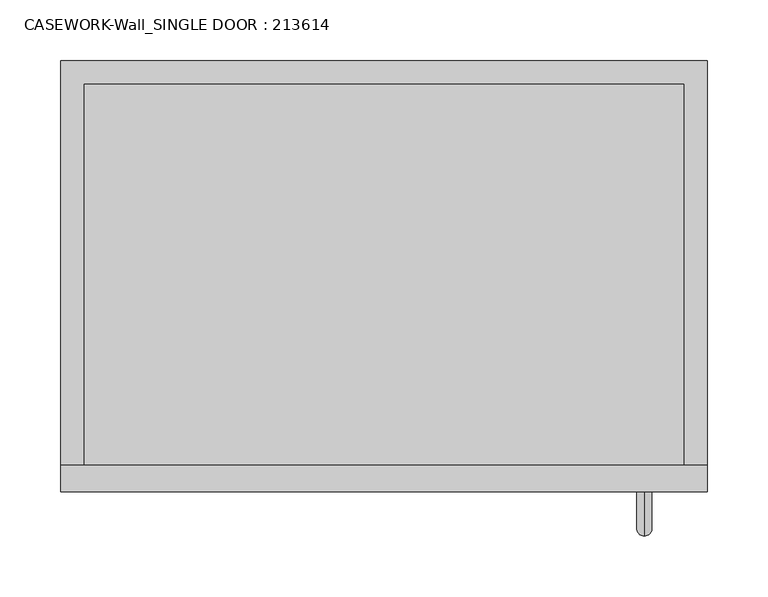
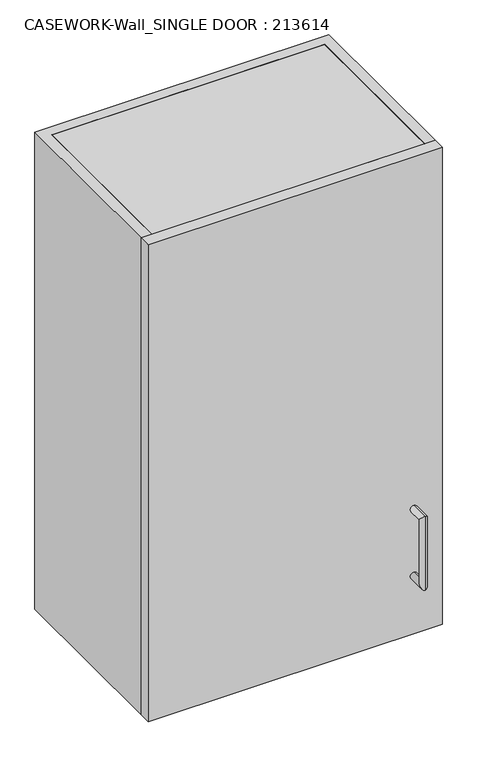
"""IFC4 building model written with IfcOpenShell, lengths in millimetres: furniture geometry, CASEWORK-Wall_SINGLE DOOR : 213614."""

from ifc_helpers import new_model, si_unit, frame, origin, place, context, project, spatial, polyline, circle_curve, ellipse_curve, outline, extrude, source, transform, mapped, element, save
from ifc_brep_helpers import plane_surface, cylinder_surface, advanced_brep


def casework_wall_single_door_213614_257c429b(model_context):
    return source(origin(), model_context, "Body", "SolidModel", [
        extrude(outline(polyline([(266.7, -409.8), (266.7, -431.8), (-266.7, -431.8), (-266.7, -409.8), (266.7, -409.8)])), frame((0.0, 0.0, 1219.2), z_axis=(0.0, 0.0, 1.0), x_axis=(1.0, 0.0, 0.0)), (0.0, 0.0, 1.0), 914.4),
        extrude(outline(polyline([(247.5, -409.8), (247.5, -95.4), (-247.5, -95.4), (-247.5, -409.8), (-266.7, -409.8), (-266.7, -76.2), (266.7, -76.2), (266.7, -409.8), (247.5, -409.8)])), frame((0.0, 0.0, 1219.2), z_axis=(0.0, 0.0, 1.0), x_axis=(1.0, 0.0, 0.0)), (0.0, 0.0, 1.0), 914.4),
        extrude(outline(polyline([(-247.5, -409.8), (-247.5, -95.4), (247.5, -95.4), (247.5, -409.8), (-247.5, -409.8)])), frame((0.0, 0.0, 1816.0), z_axis=(0.0, 0.0, 1.0), x_axis=(1.0, 0.0, 0.0)), (0.0, 0.0, 1.0), 19.2),
        extrude(outline(polyline([(-247.5, -409.8), (-247.5, -95.4), (247.5, -95.4), (247.5, -409.8), (-247.5, -409.8)])), frame((0.0, 0.0, 1517.6), z_axis=(0.0, 0.0, 1.0), x_axis=(1.0, 0.0, 0.0)), (0.0, 0.0, 1.0), 19.2),
        advanced_brep(
        [(214.7, -431.8, 1337.55), (214.7, -431.8, 1324.85), (214.7, -468.15, 1324.85), (214.7, -455.45, 1337.55), (214.7, -468.15, 1465.55), (214.7, -455.45, 1452.85), (214.7, -431.8, 1452.85), (214.7, -431.8, 1465.55)],
        [
            (0, 1, circle_curve(frame((214.7, -431.8, 1331.2), z_axis=(0.0, 1.0, 0.0), x_axis=(0.0, 0.0, -1.0)), 6.35)),
            (1, 0, circle_curve(frame((214.7, -431.8, 1331.2), z_axis=(0.0, 1.0, 0.0), x_axis=(0.0, 0.0, -1.0)), 6.35)),
            (1, 2),
            (2, 3, ellipse_curve(frame((214.7, -461.8, 1331.2), z_axis=(0.0, 0.7071067811865475, -0.7071067811865475), x_axis=(0.0, 0.7071067811865476, 0.7071067811865474)), 8.9802561, 6.35)),
            (3, 0),
            (3, 2, ellipse_curve(frame((214.7, -461.8, 1331.2), z_axis=(0.0, 0.7071067811865475, -0.7071067811865475), x_axis=(0.0, 0.7071067811865476, 0.7071067811865474)), 8.9802561, 6.35)),
            (2, 4),
            (4, 5, ellipse_curve(frame((214.7, -461.8, 1459.2), z_axis=(0.0, -0.7071067811865475, -0.7071067811865475), x_axis=(0.0, 0.7071067811865474, -0.7071067811865476)), 8.9802561, 6.35)),
            (5, 3),
            (5, 4, ellipse_curve(frame((214.7, -461.8, 1459.2), z_axis=(0.0, -0.7071067811865475, -0.7071067811865475), x_axis=(0.0, 0.7071067811865474, -0.7071067811865476)), 8.9802561, 6.35)),
            (6, 7, circle_curve(frame((214.7, -431.8, 1459.2), z_axis=(0.0, 1.0, 0.0), x_axis=(0.0, 0.0, 1.0)), 6.35)),
            (7, 6, circle_curve(frame((214.7, -431.8, 1459.2), z_axis=(0.0, 1.0, 0.0), x_axis=(0.0, 0.0, 1.0)), 6.35)),
            (4, 7),
            (6, 5),
        ],
        [
            plane_surface(frame((214.7, -431.8, 1331.2), z_axis=(0.0, 1.0, 0.0), x_axis=(-1.0, 0.0, 0.0))),
            cylinder_surface(frame((214.7, -431.8, 1331.2), z_axis=(0.0, 1.0, 0.0), x_axis=(0.0, 0.0, -1.0)), 6.35),
            cylinder_surface(frame((214.7, -461.8, 1331.2), z_axis=(0.0, 0.0, -1.0), x_axis=(0.0, -1.0, 0.0)), 6.35),
            plane_surface(frame((214.7, -431.8, 1459.2), z_axis=(0.0, 1.0, 0.0), x_axis=(-1.0, 0.0, 0.0))),
            cylinder_surface(frame((214.7, -461.8, 1459.2), z_axis=(0.0, -1.0, 0.0), x_axis=(0.0, 0.0, 1.0)), 6.35),
        ],
        [
            (0, [[1, 2]]),
            (1, [[3, 4, 5, -2]]),
            (1, [[-5, 6, -3, -1]]),
            (2, [[7, 8, 9, -4]]),
            (2, [[-9, 10, -7, -6]]),
            (3, [[11, 12]]),
            (4, [[13, -11, 14, -8]]),
            (4, [[-14, -12, -13, -10]]),
        ],
    ),
        extrude(outline(polyline([(247.5, -409.8), (-247.5, -409.8), (-247.5, -95.4), (247.5, -95.4), (247.5, -409.8)])), frame((0.0, 0.0, 2114.4), z_axis=(0.0, 0.0, 1.0), x_axis=(1.0, 0.0, 0.0)), (0.0, 0.0, 1.0), 19.2),
        extrude(outline(polyline([(247.5, -409.8), (-247.5, -409.8), (-247.5, -95.4), (247.5, -95.4), (247.5, -409.8)])), frame((0.0, 0.0, 1219.2), z_axis=(0.0, 0.0, 1.0), x_axis=(1.0, 0.0, 0.0)), (0.0, 0.0, 1.0), 19.2),
    ])


if __name__ == "__main__":
    model = new_model("IFC4")
    model_context = context("Model", 3, world=origin())
    ifc_project = project(units=[si_unit("LENGTHUNIT", "METRE", prefix="MILLI")], contexts=[model_context])
    site = spatial("IfcSite", under=ifc_project)
    building = spatial("IfcBuilding", under=site)
    placement = place(None, origin())
    casework_wall_single_door_213614_shape = casework_wall_single_door_213614_257c429b(model_context)
    element("IfcFurniture", 1, ObjectType="CASEWORK-Wall_SINGLE DOOR : 213614", at=placement, inside=building, context=model_context, shape_type="MappedRepresentation", body=[
        mapped(casework_wall_single_door_213614_shape, transform((0.0, 0.0, 0.0), x_axis=(1.0, 0.0, 0.0), y_axis=(0.0, 1.0, 0.0), z_axis=(0.0, 0.0, 1.0))),
    ])
    save(model, "model.ifc")
